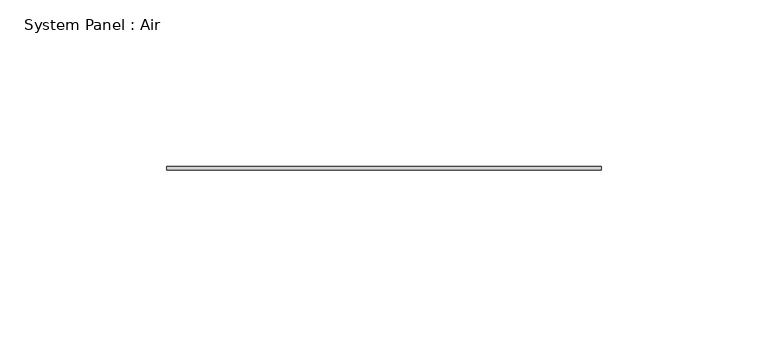
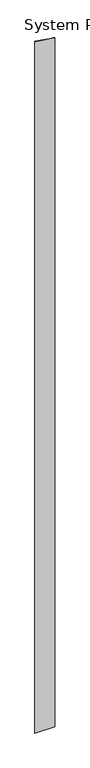
"""IFC4 building model written with IfcOpenShell, lengths in millimetres: plate geometry, System Panel : Air."""

from ifc_helpers import new_model, si_unit, frame, origin, place, context, project, spatial, polyline, outline, extrude, source, transform, mapped, element, save


def system_panel_air_cd69affd(model_context):
    return source(origin(), model_context, "Body", "SweptSolid", [
        extrude(outline(polyline([(0.0, -65.0), (0.0, 65.0), (4770.615286, 65.0), (4789.855795, -65.0), (0.0, -65.0)])), frame((0.0, 36.5, 0.0), z_axis=(0.0, 1.0, 0.0), x_axis=(0.0, 0.0, 1.0)), (0.0, 0.0, 1.0), 1.0),
    ])


if __name__ == "__main__":
    model = new_model("IFC4")
    model_context = context("Model", 3, world=origin())
    ifc_project = project(units=[si_unit("LENGTHUNIT", "METRE", prefix="MILLI")], contexts=[model_context])
    site = spatial("IfcSite", under=ifc_project)
    building = spatial("IfcBuilding", under=site)
    placement = place(None, origin())
    system_panel_air_shape = system_panel_air_cd69affd(model_context)
    element("IfcPlate", 1, ObjectType="System Panel : Air", at=placement, inside=building, context=model_context, shape_type="MappedRepresentation", body=[
        mapped(system_panel_air_shape, transform((0.0, 0.0, 0.0), x_axis=(1.0, 0.0, 0.0), y_axis=(0.0, 1.0, 0.0), z_axis=(0.0, 0.0, 1.0))),
    ])
    save(model, "model.ifc")
